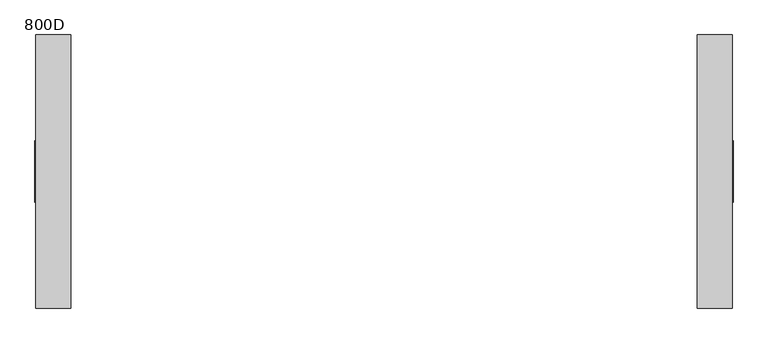
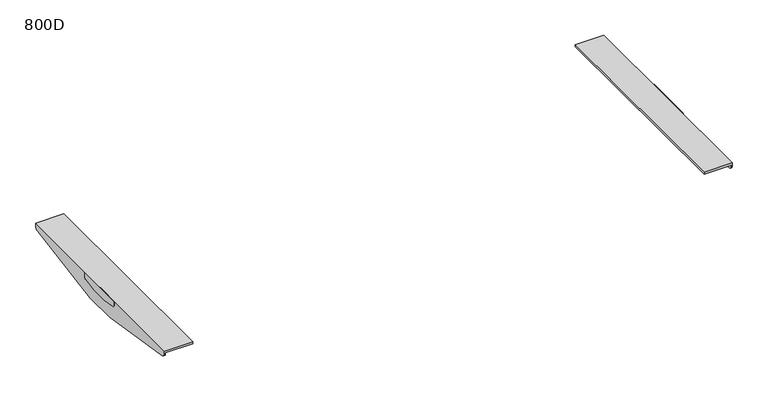
"""IFC4 building model written with IfcOpenShell, lengths in millimetres: furniture geometry, 800D."""

import ifcopenshell
import ifcopenshell.guid

model = None  # the IFC model being written
_history = None  # IfcOwnerHistory: only IFC2X3 demands one
_inside = {}  # id of a spatial element -> (the spatial element, [elements in it])
_under = {}  # id of a project, library or spatial element -> (it, [spatial elements below it])
_declared = {}  # id of a project -> (the project, [libraries it declares])
_typed = {}  # id of a type object -> (the type object, [elements of that type])
_made_of = {}  # id of a material, layer set ... -> (it, [elements and type objects made of it])


def new_model(schema):
    """Start an empty IFC model of exactly this schema.

    Asked for "IFC4X3", IfcOpenShell would pick the latest addendum, in which some entities
    have other attributes; the version numbers below select the first issue.
    IFC2X3 requires an IfcOwnerHistory on every rooted entity: one is made here for all.
    """
    global model, _history
    if schema == "IFC4X3":
        model = ifcopenshell.file(schema_version=(4, 3, 0, 0))
    else:
        model = ifcopenshell.file(schema=schema)
    _inside.clear()
    _under.clear()
    _declared.clear()
    _typed.clear()
    _made_of.clear()
    _history = None
    if model.schema == "IFC2X3":
        org = make("IfcOrganization", Name="unknown")
        user = make(
            "IfcPersonAndOrganization",
            ThePerson=make("IfcPerson", FamilyName="unknown"),
            TheOrganization=org,
        )
        app = make(
            "IfcApplication",
            ApplicationDeveloper=org,
            Version="unknown",
            ApplicationFullName="unknown",
            ApplicationIdentifier="unknown",
        )
        _history = make(
            "IfcOwnerHistory",
            OwningUser=user,
            OwningApplication=app,
            ChangeAction="ADDED",
            CreationDate=0,
        )
    return model


def make(cls, **values):
    """One entity of the class cls with the attributes given. An attribute that is None is left unset."""
    return model.create_entity(
        cls, **{name: value for name, value in values.items() if value is not None}
    )


def rooted(cls, **values):
    """An entity with a GlobalId (a new one), such as an element, a storey or a relation."""
    return make(cls, GlobalId=ifcopenshell.guid.new(), OwnerHistory=_history, **values)


def si_unit(unit_type, name, prefix=None):
    """IfcSIUnit, for example si_unit("LENGTHUNIT", "METRE", prefix="MILLI")."""
    return make("IfcSIUnit", UnitType=unit_type, Prefix=prefix, Name=name)


def assignment(units):
    """IfcUnitAssignment: the units of a project."""
    return None if units is None else make("IfcUnitAssignment", Units=units)


def point(xyz):
    """IfcCartesianPoint."""
    return None if xyz is None else make("IfcCartesianPoint", Coordinates=xyz)


def direction(xyz):
    """IfcDirection."""
    return None if xyz is None else make("IfcDirection", DirectionRatios=xyz)


def frame(location, z_axis=None, x_axis=None):
    """IfcAxis2Placement3D, a coordinate frame: its origin and axes. An axis left out is left unset."""
    return make(
        "IfcAxis2Placement3D",
        Location=point(location),
        Axis=direction(z_axis),
        RefDirection=direction(x_axis),
    )


def frame_2d(location, x_axis=None):
    """IfcAxis2Placement2D, a coordinate frame in the plane: its origin and x axis."""
    return make(
        "IfcAxis2Placement2D", Location=point(location), RefDirection=direction(x_axis)
    )


def origin():
    """The frame at (0, 0, 0) with its axes left unset."""
    return frame((0.0, 0.0, 0.0))


def place(relative_to, where):
    """IfcLocalPlacement: puts the frame where relative to a parent placement (None: the world)."""
    return make(
        "IfcLocalPlacement", PlacementRelTo=relative_to, RelativePlacement=where
    )


def context(
    kind, dimensions, precision=None, world=None, true_north=None, identifier=None
):
    """IfcGeometricRepresentationContext, for example the 3D "Model" context."""
    return make(
        "IfcGeometricRepresentationContext",
        ContextIdentifier=identifier,
        ContextType=kind,
        CoordinateSpaceDimension=dimensions,
        Precision=precision,
        WorldCoordinateSystem=world,
        TrueNorth=true_north,
    )


def project(units=None, contexts=None):
    """IfcProject with its units and contexts."""
    return rooted(
        "IfcProject",
        Name="project",
        RepresentationContexts=contexts,
        UnitsInContext=assignment(units),
    )


def spatial(cls, under=None, at=None, **own):
    """A site, building, storey or space (cls), placed at a placement, below another one or the project."""
    s = rooted(cls, ObjectPlacement=at, **own)
    if under is not None:
        _under.setdefault(under.id(), (under, []))[1].append(s)
    return s


def polyline(points):
    """IfcPolyline through the points."""
    return make("IfcPolyline", Points=[point(p) for p in points])


def circle_curve(where, radius):
    """IfcCircle in the frame where."""
    return make("IfcCircle", Position=where, Radius=radius)


def trimmed(basis, trim1, trim2, sense, master):
    """IfcTrimmedCurve: the piece of a basis curve between two trims."""
    return make(
        "IfcTrimmedCurve",
        BasisCurve=basis,
        Trim1=trim1,
        Trim2=trim2,
        SenseAgreement=sense,
        MasterRepresentation=master,
    )


def segment(curve, same_sense, transition):
    """IfcCompositeCurveSegment."""
    return make(
        "IfcCompositeCurveSegment",
        Transition=transition,
        SameSense=same_sense,
        ParentCurve=curve,
    )


def composite_curve(segments, self_intersect=None):
    """IfcCompositeCurve: segments joined end to end."""
    return make("IfcCompositeCurve", Segments=segments, SelfIntersect=self_intersect)


def outline(outer, holes=None, kind="AREA"):
    """IfcArbitraryClosedProfileDef: a profile drawn as a closed curve; with holes, ...WithVoids."""
    if holes is None:
        return make("IfcArbitraryClosedProfileDef", ProfileType=kind, OuterCurve=outer)
    return make(
        "IfcArbitraryProfileDefWithVoids",
        ProfileType=kind,
        OuterCurve=outer,
        InnerCurves=holes,
    )


def extrude(swept, where, along, depth):
    """IfcExtrudedAreaSolid: the profile swept, set in the frame where, extruded along a direction by depth."""
    return make(
        "IfcExtrudedAreaSolid",
        SweptArea=swept,
        Position=where,
        ExtrudedDirection=direction(along),
        Depth=depth,
    )


def shape(context_of_items, identifier, shape_type, items):
    """IfcShapeRepresentation: the items that make up one representation, for example the "Body"."""
    return make(
        "IfcShapeRepresentation",
        ContextOfItems=context_of_items,
        RepresentationIdentifier=identifier,
        RepresentationType=shape_type,
        Items=items,
    )


def source(mapping_origin, context_of_items, identifier, shape_type, items):
    """IfcRepresentationMap: a shape defined once, which mapped items show again and again."""
    return make(
        "IfcRepresentationMap",
        MappingOrigin=mapping_origin,
        MappedRepresentation=shape(context_of_items, identifier, shape_type, items),
    )


def transform(
    local_origin,
    x_axis=None,
    y_axis=None,
    z_axis=None,
    scale=None,
    scale2=None,
    scale3=None,
    uniform=True,
):
    """IfcCartesianTransformationOperator3D, or its non-uniform kind. x_axis, y_axis, z_axis: its Axis1, 2, 3."""
    if uniform:
        return make(
            "IfcCartesianTransformationOperator3D",
            Axis1=direction(x_axis),
            Axis2=direction(y_axis),
            LocalOrigin=point(local_origin),
            Scale=scale,
            Axis3=direction(z_axis),
        )
    return make(
        "IfcCartesianTransformationOperator3DnonUniform",
        Axis1=direction(x_axis),
        Axis2=direction(y_axis),
        LocalOrigin=point(local_origin),
        Scale=scale,
        Axis3=direction(z_axis),
        Scale2=scale2,
        Scale3=scale3,
    )


def mapped(mapping_source, mapping_target):
    """IfcMappedItem: shows the shape of a source again, moved by a transform."""
    return make(
        "IfcMappedItem", MappingSource=mapping_source, MappingTarget=mapping_target
    )


def made_of(thing, what):
    """Note that an element or type object is made of a material, layer set ...; save() writes the relation."""
    if what is not None:
        _made_of.setdefault(what.id(), (what, []))[1].append(thing)
    return thing


def element(
    cls,
    number,
    at=None,
    inside=None,
    cuts=None,
    type_object=None,
    material=None,
    context=None,
    identifier="Body",
    shape_type=None,
    held_by="IfcProductDefinitionShape",
    body=None,
    shapes=None,
    **own,
):
    """One element of the class cls, such as IfcWall. Its Tag is "e" and its number.

    at: its placement. inside: the storey or other place that contains it. cuts: it is an
    opening in that element (IfcRelVoidsElement). A single representation is given by context,
    identifier, shape_type and body (its items); several are given by shapes. held_by: the class
    of the entity that holds the representations. save() writes the other relations.
    """
    e = rooted(cls, Tag="e%d" % number, ObjectPlacement=at, **own)
    if body is not None:
        shapes = [shape(context, identifier, shape_type, body)]
    if shapes is not None:
        e.Representation = make(held_by, Representations=shapes)
    if inside is not None:
        _inside.setdefault(inside.id(), (inside, []))[1].append(e)
    if cuts is not None:
        rooted(
            "IfcRelVoidsElement", RelatingBuildingElement=cuts, RelatedOpeningElement=e
        )
    if type_object is not None:
        _typed.setdefault(type_object.id(), (type_object, []))[1].append(e)
    return made_of(e, material)


def aggregate(whole, parts):
    """IfcRelAggregates: a whole, such as a stair, and the parts it consists of."""
    return rooted("IfcRelAggregates", RelatingObject=whole, RelatedObjects=parts)


def save(model, path):
    """Write the relations noted so far, then the file.

    IfcRelAggregates (storeys below a building ...), IfcRelContainedInSpatialStructure (elements
    in a storey), IfcRelDefinesByType, IfcRelAssociatesMaterial and IfcRelDeclares: one each for
    every whole, place, type object, material and project.
    """
    for whole, parts in _under.values():
        aggregate(whole, parts)
    for where, things in _inside.values():
        rooted(
            "IfcRelContainedInSpatialStructure",
            RelatedElements=things,
            RelatingStructure=where,
        )
    for kind, things in _typed.values():
        rooted("IfcRelDefinesByType", RelatedObjects=things, RelatingType=kind)
    for what, things in _made_of.values():
        rooted("IfcRelAssociatesMaterial", RelatedObjects=things, RelatingMaterial=what)
    for by, libraries in _declared.values():
        rooted("IfcRelDeclares", RelatingContext=by, RelatedDefinitions=libraries)
    model.write(path)


def plane_surface(at):
    """IfcPlane: the flat surface through the origin of the frame at, square to its z axis."""
    return make("IfcPlane", Position=at)


def cylinder_surface(at, radius):
    """IfcCylindricalSurface: all points at the distance radius from the z axis of the frame at."""
    return make("IfcCylindricalSurface", Position=at, Radius=radius)


def advanced_brep(points, edges, surfaces, faces):
    """IfcAdvancedBrep: a solid bounded by faces that lie on surfaces and meet in shared edges.

    An edge is (start, end): straight between two places in points (the first is 0);
    or (start, end, curve); or (start, end, curve, False) where it runs against its curve.
    A face is (place in surfaces, loops), or (place, loops, False) where it looks against
    its surface's normal. A loop lists edges by number (the first is 1), with a minus sign
    where the edge is run from its end to its start. The first loop is the outer one.
    """
    corners = [point(p) for p in points]
    vertices = [make("IfcVertexPoint", VertexGeometry=c) for c in corners]
    made = []
    for start, end, *more in edges:
        made.append(
            make(
                "IfcEdgeCurve",
                EdgeStart=vertices[start],
                EdgeEnd=vertices[end],
                EdgeGeometry=more[0] if more else make("IfcPolyline", Points=[corners[start], corners[end]]),
                SameSense=more[1] if len(more) > 1 else True,
            )
        )
    hull = []
    for where, loops, *sense in faces:
        bounds = []
        for j, loop in enumerate(loops):
            ring = [make("IfcOrientedEdge", EdgeElement=made[abs(k) - 1], Orientation=k > 0) for k in loop]
            bounds.append(
                make(
                    "IfcFaceOuterBound" if j == 0 else "IfcFaceBound",
                    Bound=make("IfcEdgeLoop", EdgeList=ring),
                    Orientation=True,
                )
            )
        hull.append(make("IfcAdvancedFace", Bounds=bounds, FaceSurface=surfaces[where], SameSense=sense[0] if sense else True))
    return make("IfcAdvancedBrep", Outer=make("IfcClosedShell", CfsFaces=hull))


def furniture_800d_1caedf22(model_context):
    return source(origin(), model_context, "Body", "SolidModel", [
        advanced_brep(
        [(733.0000006, -287.4963324, 716.0), (660.0000017, -287.4963324, 716.0), (660.0000017, -287.4963324, 710.4999723), (730.0000009, -287.4963324, 710.4999723), (730.0000009, -287.4963324, 708.4998128), (733.0000006, -287.4963324, 708.4998128), (730.0000009, 287.5036993, 710.4999723), (660.0000017, 287.5036993, 710.4999723), (660.0000017, 287.5036993, 716.0), (733.0000006, 287.5036993, 716.0), (733.0000006, 287.5036993, 708.4997591), (730.0000009, 287.5036993, 708.4997591), (730.0000009, 279.1150126, 698.6304207), (730.0000009, 42.5041219, 660.0), (730.0000009, -42.4967459, 660.0), (730.0000009, -279.1076002, 698.6304207), (733.0000006, -279.1076002, 698.6304207), (733.0000006, -42.4967459, 660.0), (733.0000006, 42.5041219, 660.0), (733.0000006, 279.1150126, 698.6304207)],
        [
            (0, 1),
            (1, 2),
            (2, 3),
            (3, 4),
            (4, 5),
            (5, 0),
            (6, 7),
            (7, 8),
            (8, 9),
            (9, 10),
            (10, 11),
            (11, 6),
            (3, 6),
            (11, 12, circle_curve(frame((730.0000009, 277.503689, 708.4997591), z_axis=(-1.0, 0.0, 0.0), x_axis=(0.0, 1.0, 0.0)), 10.0000103)),
            (12, 13),
            (13, 14),
            (14, 15),
            (15, 4, circle_curve(frame((730.0000009, -277.4962677, 708.4998128), z_axis=(-1.0, 0.0, 0.0), x_axis=(0.0, 1.0, 0.0)), 10.0000647)),
            (2, 7),
            (1, 8),
            (0, 9),
            (5, 16, circle_curve(frame((733.0000006, -277.4962677, 708.4998128), z_axis=(1.0, 0.0, 0.0), x_axis=(0.0, 1.0, 0.0)), 10.0000647)),
            (16, 17),
            (17, 18),
            (18, 19),
            (19, 10, circle_curve(frame((733.0000006, 277.503689, 708.4997591), z_axis=(1.0, 0.0, 0.0), x_axis=(0.0, 1.0, 0.0)), 10.0000103)),
            (17, 14),
            (13, 18),
            (12, 19),
            (16, 15),
        ],
        [
            plane_surface(frame((733.0000006, -287.4963324, 660.0), z_axis=(0.0, -1.0, 0.0), x_axis=(1.0, 0.0, 0.0))),
            plane_surface(frame((733.0000006, 287.5036993, 660.0), z_axis=(0.0, 1.0, 0.0), x_axis=(-1.0, 0.0, 0.0))),
            plane_surface(frame((730.0000009, -287.4963324, 710.4999723), z_axis=(-1.0, 0.0, 0.0), x_axis=(0.0, 1.0, 0.0))),
            plane_surface(frame((660.0000017, -287.4963324, 710.4999723), z_axis=(0.0, 0.0, -1.0), x_axis=(0.0, 1.0, 0.0))),
            plane_surface(frame((660.0000017, -287.4963324, 716.0), z_axis=(-1.0, 0.0, 0.0), x_axis=(0.0, 1.0, 0.0))),
            plane_surface(frame((733.0000006, -287.4963324, 716.0), z_axis=(0.0, 0.0, 1.0), x_axis=(0.0, 1.0, 0.0))),
            plane_surface(frame((733.0000006, -287.4963324, 660.0), z_axis=(1.0, 0.0, 0.0), x_axis=(0.0, 1.0, 0.0))),
            plane_surface(frame((730.0000009, -287.4963324, 660.0), z_axis=(0.0, 0.0, -1.0), x_axis=(0.0, 1.0, 0.0))),
            plane_surface(frame((660.0000017, 42.5041219, 660.0), z_axis=(0.0, 0.16113218812194072, -0.9869328335560813), x_axis=(1.0, 0.0, 0.0))),
            cylinder_surface(frame((735.0, 277.503689, 708.4997591), z_axis=(1.0, 0.0, 0.0), x_axis=(0.0, 1.0, 0.0)), 10.0000103),
            plane_surface(frame((660.0000017, -279.1076002, 698.6304207), z_axis=(0.0, -0.16113221222328436, -0.9869328296211605), x_axis=(1.0, 0.0, 0.0))),
            cylinder_surface(frame((1200.0, -277.4962677, 708.4998128), z_axis=(1.0, 0.0, 0.0), x_axis=(0.0, 1.0, 0.0)), 10.0000647),
        ],
        [
            (0, [[1, 2, 3, 4, 5, 6]]),
            (1, [[7, 8, 9, 10, 11, 12]]),
            (2, [[13, -12, 14, 15, 16, 17, 18, -4]]),
            (3, [[-3, 19, -7, -13]]),
            (4, [[-2, 20, -8, -19]]),
            (5, [[-1, 21, -9, -20]]),
            (6, [[-21, -6, 22, 23, 24, 25, 26, -10]]),
            (7, [[-24, 27, -16, 28]]),
            (8, [[29, -25, -28, -15]]),
            (9, [[-29, -14, -11, -26]]),
            (10, [[30, -17, -27, -23]]),
            (11, [[-30, -22, -5, -18]]),
        ],
    ),
        extrude(outline(composite_curve([segment(polyline([(-64.9962871, 716.0), (65.0036994, 716.0), (65.0036994, 705.7477915)]), True, "CONTINUOUS"), segment(trimmed(circle_curve(frame_2d((60.0513722, 705.7477915)), 4.9523271), [point((65.0036994, 705.7477915))], [point((60.8052275, 700.8531775))], False, "CARTESIAN"), True, "CONTINUOUS"), segment(polyline([(60.8052275, 700.8531775), (22.2562903, 694.5405645), (-21.9956935, 694.5405645), (-60.8043191, 700.8134996)]), True, "CONTINUOUS"), segment(trimmed(circle_curve(frame_2d((-59.996269, 705.7477915)), 5.0000181), [point((-60.8043191, 700.8134996))], [point((-64.9962871, 705.7477915))], False, "CARTESIAN"), True, "CONTINUOUS"), segment(polyline([(-64.9962871, 705.7477915), (-64.9962871, 716.0)]), True, "CONTINUOUS")], self_intersect=False)), frame((733.0000006, 0.0, 0.0), z_axis=(1.0, 0.0, 0.0), x_axis=(0.0, 1.0, 0.0)), (0.0, 0.0, 1.0), 1.9999994),
        advanced_brep(
        [(-730.0000009, -287.4963324, 710.4999723), (-660.0000017, -287.4963324, 710.4999723), (-660.0000017, -287.4963324, 716.0), (-733.0000006, -287.4963324, 716.0), (-733.0000006, -287.4963324, 708.4998128), (-730.0000009, -287.4963324, 708.4998128), (-733.0000006, 287.5036993, 716.0), (-660.0000017, 287.5036993, 716.0), (-660.0000017, 287.5036993, 710.4999723), (-730.0000009, 287.5036993, 710.4999723), (-730.0000009, 287.5036993, 708.4997591), (-733.0000006, 287.5036993, 708.4997591), (-730.0000009, -279.1076002, 698.6304207), (-730.0000009, -42.4967459, 660.0), (-730.0000009, 42.5041219, 660.0), (-730.0000009, 279.1150126, 698.6304207), (-733.0000006, 279.1150126, 698.6304207), (-733.0000006, 42.5041219, 660.0), (-733.0000006, -42.4967459, 660.0), (-733.0000006, -279.1076002, 698.6304207)],
        [
            (0, 1),
            (1, 2),
            (2, 3),
            (3, 4),
            (4, 5),
            (5, 0),
            (6, 7),
            (7, 8),
            (8, 9),
            (9, 10),
            (10, 11),
            (11, 6),
            (9, 0),
            (5, 12, circle_curve(frame((-730.0000009, -277.4962677, 708.4998128), z_axis=(1.0, 0.0, 0.0), x_axis=(0.0, 1.0, 0.0)), 10.0000647)),
            (12, 13),
            (13, 14),
            (14, 15),
            (15, 10, circle_curve(frame((-730.0000009, 277.503689, 708.4997591), z_axis=(1.0, 0.0, 0.0), x_axis=(0.0, 1.0, 0.0)), 10.0000103)),
            (8, 1),
            (7, 2),
            (6, 3),
            (11, 16, circle_curve(frame((-733.0000006, 277.503689, 708.4997591), z_axis=(-1.0, 0.0, 0.0), x_axis=(0.0, 1.0, 0.0)), 10.0000103)),
            (16, 17),
            (17, 18),
            (18, 19),
            (19, 4, circle_curve(frame((-733.0000006, -277.4962677, 708.4998128), z_axis=(-1.0, 0.0, 0.0), x_axis=(0.0, 1.0, 0.0)), 10.0000647)),
            (13, 18),
            (17, 14),
            (16, 15),
            (12, 19),
        ],
        [
            plane_surface(frame((-730.0000009, -287.4963324, 660.0), z_axis=(0.0, -1.0, 0.0), x_axis=(0.0, 0.0, 1.0))),
            plane_surface(frame((-730.0000009, 287.5036993, 660.0), z_axis=(0.0, 1.0, 0.0), x_axis=(0.0, 0.0, -1.0))),
            plane_surface(frame((-730.0000009, -287.4963324, 660.0), z_axis=(1.0, 0.0, 0.0), x_axis=(0.0, 1.0, 0.0))),
            plane_surface(frame((-730.0000009, -287.4963324, 710.4999723), z_axis=(0.0, 0.0, -1.0), x_axis=(0.0, 1.0, 0.0))),
            plane_surface(frame((-660.0000017, -287.4963324, 710.4999723), z_axis=(1.0, 0.0, 0.0), x_axis=(0.0, 1.0, 0.0))),
            plane_surface(frame((-660.0000017, -287.4963324, 716.0), z_axis=(0.0, 0.0, 1.0), x_axis=(0.0, 1.0, 0.0))),
            plane_surface(frame((-733.0000006, -287.4963324, 716.0), z_axis=(-1.0, 0.0, 0.0), x_axis=(0.0, 1.0, 0.0))),
            plane_surface(frame((-733.0000006, -287.4963324, 660.0), z_axis=(0.0, 0.0, -1.0), x_axis=(0.0, 1.0, 0.0))),
            plane_surface(frame((-660.0000017, 279.1150126, 698.6304207), z_axis=(0.0, 0.16113218812194124, -0.9869328335560812), x_axis=(-1.0, 0.0, 0.0))),
            cylinder_surface(frame((-733.0000006, 277.503689, 708.4997591), z_axis=(-1.0, 0.0, 0.0), x_axis=(0.0, 1.0, 0.0)), 10.0000103),
            plane_surface(frame((-660.0000017, -42.4967459, 660.0), z_axis=(0.0, -0.16113221222328436, -0.9869328296211605), x_axis=(-1.0, 0.0, 0.0))),
            cylinder_surface(frame((0.0, -277.4962677, 708.4998128), z_axis=(-1.0, 0.0, 0.0), x_axis=(0.0, 1.0, 0.0)), 10.0000647),
        ],
        [
            (0, [[1, 2, 3, 4, 5, 6]]),
            (1, [[7, 8, 9, 10, 11, 12]]),
            (2, [[13, -6, 14, 15, 16, 17, 18, -10]]),
            (3, [[-1, -13, -9, 19]]),
            (4, [[-2, -19, -8, 20]]),
            (5, [[-3, -20, -7, 21]]),
            (6, [[-21, -12, 22, 23, 24, 25, 26, -4]]),
            (7, [[-16, 27, -24, 28]]),
            (8, [[29, -17, -28, -23]]),
            (9, [[-29, -22, -11, -18]]),
            (10, [[30, -25, -27, -15]]),
            (11, [[-30, -14, -5, -26]]),
        ],
    ),
        extrude(outline(composite_curve([segment(polyline([(-64.9962871, 716.0), (65.0036994, 716.0), (65.0036994, 705.7477915)]), True, "CONTINUOUS"), segment(trimmed(circle_curve(frame_2d((60.0513722, 705.7477915)), 4.9523271), [point((65.0036994, 705.7477915))], [point((60.8052275, 700.8531775))], False, "CARTESIAN"), True, "CONTINUOUS"), segment(polyline([(60.8052275, 700.8531775), (22.2562903, 694.5405645), (-21.9956935, 694.5405645), (-60.8043191, 700.8134996)]), True, "CONTINUOUS"), segment(trimmed(circle_curve(frame_2d((-59.996269, 705.7477915)), 5.0000181), [point((-60.8043191, 700.8134996))], [point((-64.9962871, 705.7477915))], False, "CARTESIAN"), True, "CONTINUOUS"), segment(polyline([(-64.9962871, 705.7477915), (-64.9962871, 716.0)]), True, "CONTINUOUS")], self_intersect=False)), frame((-735.0, 0.0, 0.0), z_axis=(1.0, 0.0, 0.0), x_axis=(0.0, 1.0, 0.0)), (0.0, 0.0, 1.0), 1.9999994),
    ])


if __name__ == "__main__":
    model = new_model("IFC4")
    model_context = context("Model", 3, world=origin())
    ifc_project = project(units=[si_unit("LENGTHUNIT", "METRE", prefix="MILLI")], contexts=[model_context])
    site = spatial("IfcSite", under=ifc_project)
    building = spatial("IfcBuilding", under=site)
    placement = place(None, origin())
    furniture_800d_shape = furniture_800d_1caedf22(model_context)
    element("IfcFurniture", 1, ObjectType="800D", at=placement, inside=building, context=model_context, shape_type="MappedRepresentation", body=[
        mapped(furniture_800d_shape, transform((0.0, 0.0, 0.0), x_axis=(1.0, 0.0, 0.0), y_axis=(0.0, 1.0, 0.0), z_axis=(0.0, 0.0, 1.0))),
    ])
    save(model, "model.ifc")
